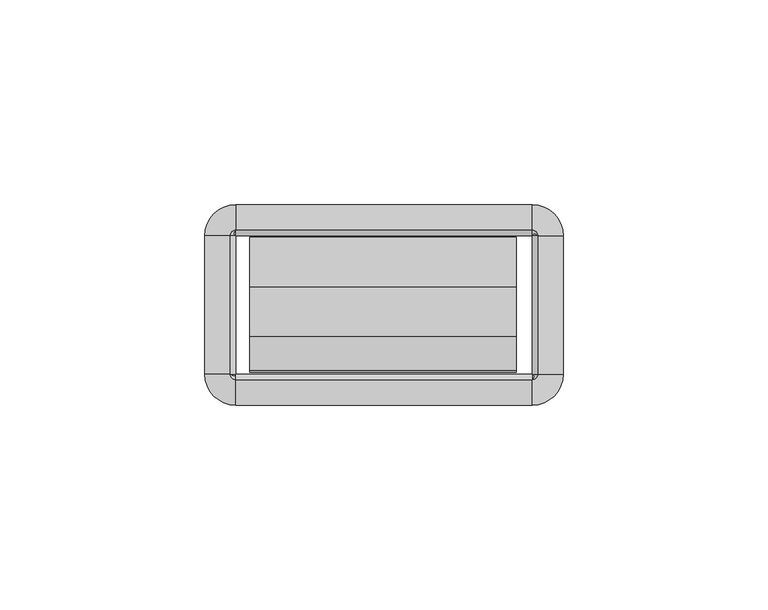
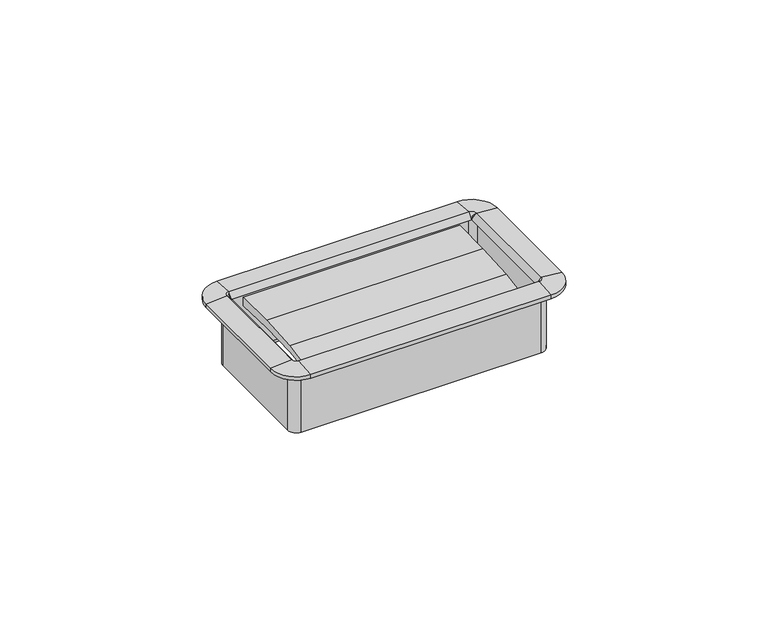
"""IFC4 building model written with IfcOpenShell, lengths in millimetres: furniture geometry."""

from ifc_helpers import new_model, si_unit, frame, origin, place, context, project, spatial, polyline, circle_curve, outline, extrude, source, transform, mapped, element, save
from ifc_brep_helpers import plane_surface, cylinder_surface, revolved_surface, advanced_brep


def furniture_a08e4dbc(model_context):
    return source(origin(), model_context, "Body", "SolidModel", [
        extrude(outline(polyline([(-27.4015977, 1063.8713463), (-35.841251, 1062.8077762), (-35.4230807, 1064.1857243), (-27.1272776, 1065.7247401), (-15.0207956, 1066.5183076), (-2.8884162, 1066.5634028), (-2.9633248, 1063.8052515), (-15.1814712, 1064.2042355), (-27.4015977, 1063.8713463)])), frame((-32.8496732, 0.0, 0.0), z_axis=(1.0, 0.0, 0.0), x_axis=(0.0, 1.0, 0.0)), (0.0, 0.0, 1.0), 65.1763996),
        advanced_brep(
        [(37.8602578, -2.54, 1066.8), (36.1704551, -0.8501974, 1066.8), (36.1704551, -0.8501974, 1047.9532), (37.8602578, -2.54, 1047.9532), (37.5244377, -2.54, 1068.4652454), (36.1704551, -1.1860174, 1068.4652454), (36.1704551, -2.5172282, 1066.8), (43.7913825, -2.54, 1067.943), (36.1704551, 5.0809274, 1067.943), (43.7913825, -2.54, 1066.8), (36.1704551, 5.0809274, 1066.8), (38.7104551, -2.54, 1046.4799989), (36.1704551, 0.0, 1046.4799989), (36.1704551, 0.0, 1066.8), (38.7104551, -2.54, 1066.8), (37.8602578, -36.2712, 1047.9532), (37.8602578, -36.2712, 1066.8), (36.1932269, -36.2712, 1066.8), (37.5244377, -36.2712, 1068.4652454), (43.7913825, -36.2712, 1067.943), (43.7913825, -36.2712, 1066.8), (38.7104551, -36.2712, 1066.8), (38.7104551, -36.2712, 1046.4799989), (36.1704551, -37.9610026, 1066.8), (36.1704551, -37.9610026, 1047.9532), (36.1704551, -37.6251826, 1068.4652454), (36.1704551, -43.8921274, 1067.943), (36.1704551, -43.8921274, 1066.8), (36.1704551, -38.8112, 1046.4799989), (36.1704551, -38.8112, 1066.8), (-36.1687428, -37.9610026, 1047.9532), (-36.1687428, -37.9610026, 1066.8), (-36.1687428, -36.2939718, 1066.8), (-36.1687428, -37.6251826, 1068.4652454), (-36.1687428, -43.8921274, 1067.943), (-36.1687428, -43.8921274, 1066.8), (-36.1687428, -38.8112, 1066.8), (-36.1687428, -38.8112, 1046.4799989), (-37.8585455, -36.2712, 1066.8), (-37.8585455, -36.2712, 1047.9532), (-37.5227254, -36.2712, 1068.4652454), (-43.7896702, -36.2712, 1067.943), (-43.7896702, -36.2712, 1066.8), (-38.7087428, -36.2712, 1046.4799989), (-38.7087428, -36.2712, 1066.8), (-37.8585455, -2.54, 1047.9532), (-37.8585455, -2.54, 1066.8), (-36.1915146, -2.54, 1066.8), (-37.5227254, -2.54, 1068.4652454), (-43.7896702, -2.54, 1067.943), (-43.7896702, -2.54, 1066.8), (-38.7087428, -2.54, 1066.8), (-38.7087428, -2.54, 1046.4799989), (-36.1687428, -0.8501974, 1066.8), (-36.1687428, -0.8501974, 1047.9532), (-36.1687428, -1.1860174, 1068.4652454), (-36.1687428, 5.0809274, 1067.943), (-36.1687428, 5.0809274, 1066.8), (-36.1687428, 0.0, 1046.4799989), (-36.1687428, 0.0, 1066.8), (38.6519521, -2.54, 1047.9532), (36.1704551, -0.058503, 1047.9532), (38.6519521, -36.2712, 1047.9532), (36.1704551, -38.752697, 1047.9532), (-36.1687428, -38.752697, 1047.9532), (-38.6502398, -36.2712, 1047.9532), (-38.6502398, -2.54, 1047.9532), (-36.1687428, -0.058503, 1047.9532)],
        [
            (0, 1, circle_curve(frame((36.1704551, -2.54, 1066.8), z_axis=(0.0, 0.0, 1.0), x_axis=(0.0, 1.0, 0.0)), 1.6898026)),
            (1, 2),
            (2, 3, circle_curve(frame((36.1704551, -2.54, 1047.9532), z_axis=(0.0, 0.0, -1.0), x_axis=(0.0, 1.0, 0.0)), 1.6898026)),
            (3, 0),
            (4, 5, circle_curve(frame((36.1704551, -2.54, 1068.4652454), z_axis=(0.0, 0.0, 1.0), x_axis=(0.0, 1.0, 0.0)), 1.3539826)),
            (5, 6),
            (6, 4),
            (7, 8, circle_curve(frame((36.1704551, -2.54, 1067.943), z_axis=(0.0, 0.0, 1.0), x_axis=(0.0, 1.0, 0.0)), 7.6209274)),
            (8, 5),
            (4, 7),
            (9, 10, circle_curve(frame((36.1704551, -2.54, 1066.8), z_axis=(0.0, 0.0, 1.0), x_axis=(0.0, 1.0, 0.0)), 7.6209274)),
            (10, 8),
            (7, 9),
            (11, 12, circle_curve(frame((36.1704551, -2.54, 1046.4799989), z_axis=(0.0, 0.0, 1.0), x_axis=(0.0, 1.0, 0.0)), 2.54)),
            (12, 13),
            (13, 14, circle_curve(frame((36.1704551, -2.54, 1066.8), z_axis=(0.0, 0.0, -1.0), x_axis=(0.0, 1.0, 0.0)), 2.54)),
            (14, 11),
            (3, 15),
            (15, 16),
            (16, 0),
            (6, 17),
            (17, 18),
            (18, 4),
            (18, 19),
            (19, 7),
            (19, 20),
            (20, 9),
            (14, 21),
            (21, 22),
            (22, 11),
            (23, 16, circle_curve(frame((36.1704551, -36.2712, 1066.8), z_axis=(0.0, 0.0, 1.0), x_axis=(1.0, 0.0, 0.0)), 1.6898026)),
            (15, 24, circle_curve(frame((36.1704551, -36.2712, 1047.9532), z_axis=(0.0, 0.0, -1.0), x_axis=(1.0, 0.0, 0.0)), 1.6898026)),
            (24, 23),
            (25, 18, circle_curve(frame((36.1704551, -36.2712, 1068.4652454), z_axis=(0.0, 0.0, 1.0), x_axis=(1.0, 0.0, 0.0)), 1.3539826)),
            (17, 25),
            (26, 19, circle_curve(frame((36.1704551, -36.2712, 1067.943), z_axis=(0.0, 0.0, 1.0), x_axis=(1.0, 0.0, 0.0)), 7.6209274)),
            (25, 26),
            (27, 20, circle_curve(frame((36.1704551, -36.2712, 1066.8), z_axis=(0.0, 0.0, 1.0), x_axis=(1.0, 0.0, 0.0)), 7.6209274)),
            (26, 27),
            (28, 22, circle_curve(frame((36.1704551, -36.2712, 1046.4799989), z_axis=(0.0, 0.0, 1.0), x_axis=(1.0, 0.0, 0.0)), 2.54)),
            (21, 29, circle_curve(frame((36.1704551, -36.2712, 1066.8), z_axis=(0.0, 0.0, -1.0), x_axis=(1.0, 0.0, 0.0)), 2.54)),
            (29, 28),
            (24, 30),
            (30, 31),
            (31, 23),
            (17, 32),
            (32, 33),
            (33, 25),
            (33, 34),
            (34, 26),
            (34, 35),
            (35, 27),
            (29, 36),
            (36, 37),
            (37, 28),
            (38, 31, circle_curve(frame((-36.1687428, -36.2712, 1066.8), z_axis=(0.0, 0.0, 1.0), x_axis=(0.0, -1.0, 0.0)), 1.6898026)),
            (30, 39, circle_curve(frame((-36.1687428, -36.2712, 1047.9532), z_axis=(0.0, 0.0, -1.0), x_axis=(0.0, -1.0, 0.0)), 1.6898026)),
            (39, 38),
            (40, 33, circle_curve(frame((-36.1687428, -36.2712, 1068.4652454), z_axis=(0.0, 0.0, 1.0), x_axis=(0.0, -1.0, 0.0)), 1.3539826)),
            (32, 40),
            (41, 34, circle_curve(frame((-36.1687428, -36.2712, 1067.943), z_axis=(0.0, 0.0, 1.0), x_axis=(0.0, -1.0, 0.0)), 7.6209274)),
            (40, 41),
            (42, 35, circle_curve(frame((-36.1687428, -36.2712, 1066.8), z_axis=(0.0, 0.0, 1.0), x_axis=(0.0, -1.0, 0.0)), 7.6209274)),
            (41, 42),
            (43, 37, circle_curve(frame((-36.1687428, -36.2712, 1046.4799989), z_axis=(0.0, 0.0, 1.0), x_axis=(0.0, -1.0, 0.0)), 2.54)),
            (36, 44, circle_curve(frame((-36.1687428, -36.2712, 1066.8), z_axis=(0.0, 0.0, -1.0), x_axis=(0.0, -1.0, 0.0)), 2.54)),
            (44, 43),
            (39, 45),
            (45, 46),
            (46, 38),
            (32, 47),
            (47, 48),
            (48, 40),
            (48, 49),
            (49, 41),
            (49, 50),
            (50, 42),
            (44, 51),
            (51, 52),
            (52, 43),
            (53, 46, circle_curve(frame((-36.1687428, -2.54, 1066.8), z_axis=(0.0, 0.0, 1.0), x_axis=(-1.0, 0.0, 0.0)), 1.6898026)),
            (45, 54, circle_curve(frame((-36.1687428, -2.54, 1047.9532), z_axis=(0.0, 0.0, -1.0), x_axis=(-1.0, 0.0, 0.0)), 1.6898026)),
            (54, 53),
            (55, 48, circle_curve(frame((-36.1687428, -2.54, 1068.4652454), z_axis=(0.0, 0.0, 1.0), x_axis=(-1.0, 0.0, 0.0)), 1.3539826)),
            (47, 55),
            (56, 49, circle_curve(frame((-36.1687428, -2.54, 1067.943), z_axis=(0.0, 0.0, 1.0), x_axis=(-1.0, 0.0, 0.0)), 7.6209274)),
            (55, 56),
            (57, 50, circle_curve(frame((-36.1687428, -2.54, 1066.8), z_axis=(0.0, 0.0, 1.0), x_axis=(-1.0, 0.0, 0.0)), 7.6209274)),
            (56, 57),
            (58, 52, circle_curve(frame((-36.1687428, -2.54, 1046.4799989), z_axis=(0.0, 0.0, 1.0), x_axis=(-1.0, 0.0, 0.0)), 2.54)),
            (51, 59, circle_curve(frame((-36.1687428, -2.54, 1066.8), z_axis=(0.0, 0.0, -1.0), x_axis=(-1.0, 0.0, 0.0)), 2.54)),
            (59, 58),
            (54, 2),
            (1, 53),
            (6, 47),
            (5, 55),
            (8, 56),
            (10, 57),
            (13, 59),
            (12, 58),
            (60, 61, circle_curve(frame((36.1704551, -2.54, 1047.9532), z_axis=(0.0, 0.0, 1.0), x_axis=(0.0, 1.0, 0.0)), 2.481497)),
            (61, 12),
            (11, 60),
            (22, 62),
            (62, 60),
            (63, 62, circle_curve(frame((36.1704551, -36.2712, 1047.9532), z_axis=(0.0, 0.0, 1.0), x_axis=(1.0, 0.0, 0.0)), 2.481497)),
            (28, 63),
            (37, 64),
            (64, 63),
            (65, 64, circle_curve(frame((-36.1687428, -36.2712, 1047.9532), z_axis=(0.0, 0.0, 1.0), x_axis=(0.0, -1.0, 0.0)), 2.481497)),
            (43, 65),
            (52, 66),
            (66, 65),
            (67, 66, circle_curve(frame((-36.1687428, -2.54, 1047.9532), z_axis=(0.0, 0.0, 1.0), x_axis=(-1.0, 0.0, 0.0)), 2.481497)),
            (58, 67),
            (61, 67),
        ],
        [
            revolved_surface(polyline([(36.1704551, -0.8501974000000001, 1047.9532), (36.1704551, -0.8501974000000001, 1066.8)]), (36.1704551, -2.54, 1066.8), (0.0, 0.0, -1.0)),
            revolved_surface(polyline([(36.1704551, -2.5172282, 1066.8), (36.1704551, -1.1860174, 1068.4652454)]), (36.1704551, -2.54, 1066.8), (0.0, 0.0, -1.0)),
            revolved_surface(polyline([(36.1704551, -1.1860174, 1068.4652454), (36.1704551, 5.0809274, 1067.943)]), (36.1704551, -2.54, 1066.8), (0.0, 0.0, -1.0)),
            cylinder_surface(frame((36.1704551, -2.54, 1066.8), z_axis=(0.0, 0.0, -1.0), x_axis=(0.0, 1.0, 0.0)), 7.6209274),
            cylinder_surface(frame((36.1704551, -2.54, 1066.8), z_axis=(0.0, 0.0, -1.0), x_axis=(0.0, 1.0, 0.0)), 2.54),
            plane_surface(frame((37.8602578, -2.54, 1047.9532), z_axis=(-1.0, 0.0, 0.0), x_axis=(0.0, -1.0, 0.0))),
            plane_surface(frame((36.1932269, -2.54, 1066.8), z_axis=(-0.7810942622858547, 0.0, 0.6244131272035499), x_axis=(0.0, -1.0, 0.0))),
            plane_surface(frame((37.5244377, -2.54, 1068.4652454), z_axis=(0.08304548081379862, 0.0, 0.9965457581648749), x_axis=(0.0, -1.0, 0.0))),
            plane_surface(frame((43.7913825, -2.54, 1067.943), z_axis=(1.0, 0.0, 0.0), x_axis=(0.0, -1.0, 0.0))),
            plane_surface(frame((38.7104551, -2.54, 1066.8), z_axis=(1.0, 0.0, 0.0), x_axis=(0.0, -1.0, 0.0))),
            revolved_surface(polyline([(37.8602577, -36.2712, 1047.9532), (37.8602577, -36.2712, 1066.8)]), (36.1704551, -36.2712, 1066.8), (0.0, 0.0, -1.0)),
            revolved_surface(polyline([(36.1932269, -36.2712, 1066.8), (37.5244377, -36.2712, 1068.4652454)]), (36.1704551, -36.2712, 1066.8), (0.0, 0.0, -1.0)),
            revolved_surface(polyline([(37.5244377, -36.2712, 1068.4652454), (43.7913825, -36.2712, 1067.943)]), (36.1704551, -36.2712, 1066.8), (0.0, 0.0, -1.0)),
            cylinder_surface(frame((36.1704551, -36.2712, 1066.8), z_axis=(0.0, 0.0, -1.0), x_axis=(1.0, 0.0, 0.0)), 7.6209274),
            cylinder_surface(frame((36.1704551, -36.2712, 1066.8), z_axis=(0.0, 0.0, -1.0), x_axis=(1.0, 0.0, 0.0)), 2.54),
            plane_surface(frame((36.1704551, -37.9610026, 1047.9532), z_axis=(0.0, 1.0, 0.0), x_axis=(-1.0, 0.0, 0.0))),
            plane_surface(frame((36.1704551, -36.2939718, 1066.8), z_axis=(0.0, 0.7810942622858565, 0.6244131272035475), x_axis=(-1.0, 0.0, 0.0))),
            plane_surface(frame((36.1704551, -37.6251826, 1068.4652454), z_axis=(0.0, -0.08304548081379555, 0.9965457581648751), x_axis=(-1.0, 0.0, 0.0))),
            plane_surface(frame((36.1704551, -43.8921274, 1067.943), z_axis=(0.0, -1.0, 0.0), x_axis=(-1.0, 0.0, 0.0))),
            plane_surface(frame((36.1704551, -38.8112, 1066.8), z_axis=(0.0, -1.0, 0.0), x_axis=(-1.0, 0.0, 0.0))),
            revolved_surface(polyline([(-36.1687428, -37.9610026, 1047.9532), (-36.1687428, -37.9610026, 1066.8)]), (-36.1687428, -36.2712, 1066.8), (0.0, 0.0, -1.0)),
            revolved_surface(polyline([(-36.1687428, -36.2939718, 1066.8), (-36.1687428, -37.6251826, 1068.4652454)]), (-36.1687428, -36.2712, 1066.8), (0.0, 0.0, -1.0)),
            revolved_surface(polyline([(-36.1687428, -37.6251826, 1068.4652454), (-36.1687428, -43.8921274, 1067.943)]), (-36.1687428, -36.2712, 1066.8), (0.0, 0.0, -1.0)),
            cylinder_surface(frame((-36.1687428, -36.2712, 1066.8), z_axis=(0.0, 0.0, -1.0), x_axis=(0.0, -1.0, 0.0)), 7.6209274),
            cylinder_surface(frame((-36.1687428, -36.2712, 1066.8), z_axis=(0.0, 0.0, -1.0), x_axis=(0.0, -1.0, 0.0)), 2.54),
            plane_surface(frame((-37.8585455, -36.2712, 1047.9532), z_axis=(1.0, 0.0, 0.0), x_axis=(0.0, 1.0, 0.0))),
            plane_surface(frame((-36.1915146, -36.2712, 1066.8), z_axis=(0.7810942622858585, 0.0, 0.6244131272035451), x_axis=(0.0, 1.0, 0.0))),
            plane_surface(frame((-37.5227254, -36.2712, 1068.4652454), z_axis=(-0.08304548081379248, 0.0, 0.9965457581648753), x_axis=(0.0, 1.0, 0.0))),
            plane_surface(frame((-43.7896702, -36.2712, 1067.943), z_axis=(-1.0, 0.0, 0.0), x_axis=(0.0, 1.0, 0.0))),
            plane_surface(frame((-38.7087428, -36.2712, 1066.8), z_axis=(-1.0, 0.0, 0.0), x_axis=(0.0, 1.0, 0.0))),
            revolved_surface(polyline([(-37.8585454, -2.54, 1047.9532), (-37.8585454, -2.54, 1066.8)]), (-36.1687428, -2.54, 1066.8), (0.0, 0.0, -1.0)),
            revolved_surface(polyline([(-36.1915146, -2.54, 1066.8), (-37.5227254, -2.54, 1068.4652454)]), (-36.1687428, -2.54, 1066.8), (0.0, 0.0, -1.0)),
            revolved_surface(polyline([(-37.5227254, -2.54, 1068.4652454), (-43.7896702, -2.54, 1067.943)]), (-36.1687428, -2.54, 1066.8), (0.0, 0.0, -1.0)),
            cylinder_surface(frame((-36.1687428, -2.54, 1066.8), z_axis=(0.0, 0.0, -1.0), x_axis=(-1.0, 0.0, 0.0)), 7.6209274),
            cylinder_surface(frame((-36.1687428, -2.54, 1066.8), z_axis=(0.0, 0.0, -1.0), x_axis=(-1.0, 0.0, 0.0)), 2.54),
            plane_surface(frame((-36.1687428, -0.8501974, 1047.9532), z_axis=(0.0, -1.0, 0.0), x_axis=(1.0, 0.0, 0.0))),
            plane_surface(frame((-36.1687428, -0.8501974, 1066.8), z_axis=(0.0, 0.0, -1.0), x_axis=(1.0, 0.0, 0.0))),
            plane_surface(frame((-36.1687428, -2.5172282, 1066.8), z_axis=(0.0, -0.7810942622858567, 0.6244131272035476), x_axis=(1.0, 0.0, 0.0))),
            plane_surface(frame((-36.1687428, -1.1860174, 1068.4652454), z_axis=(0.0, 0.08304548081379555, 0.9965457581648751), x_axis=(1.0, 0.0, 0.0))),
            plane_surface(frame((-36.1687428, 5.0809274, 1067.943), z_axis=(0.0, 1.0, 0.0), x_axis=(1.0, 0.0, 0.0))),
            plane_surface(frame((-36.1687428, 5.0809274, 1066.8), z_axis=(0.0, 0.0, -1.0), x_axis=(1.0, 0.0, 0.0))),
            plane_surface(frame((-36.1687428, 0.0, 1066.8), z_axis=(0.0, 1.0, 0.0), x_axis=(1.0, 0.0, 0.0))),
            revolved_surface(polyline([(36.1704551, 0.0, 1046.4799989), (36.1704551, -0.058503, 1047.9532)]), (36.1704551, -2.54, 1066.8), (0.0, 0.0, -1.0)),
            plane_surface(frame((38.7104551, -2.54, 1046.4799989), z_axis=(-0.9992124303949471, 0.0, -0.03968020847000604), x_axis=(0.0, -1.0, 0.0))),
            revolved_surface(polyline([(38.7104551, -36.2712, 1046.4799989), (38.6519521, -36.2712, 1047.9532)]), (36.1704551, -36.2712, 1066.8), (0.0, 0.0, -1.0)),
            plane_surface(frame((36.1704551, -38.8112, 1046.4799989), z_axis=(0.0, 0.999212430394947, -0.039680208470009116), x_axis=(-1.0, 0.0, 0.0))),
            revolved_surface(polyline([(-36.1687428, -38.8112, 1046.4799989), (-36.1687428, -38.752697, 1047.9532)]), (-36.1687428, -36.2712, 1066.8), (0.0, 0.0, -1.0)),
            plane_surface(frame((-38.7087428, -36.2712, 1046.4799989), z_axis=(0.9992124303949469, 0.0, -0.03968020847001219), x_axis=(0.0, 1.0, 0.0))),
            revolved_surface(polyline([(-38.7087428, -2.54, 1046.4799989), (-38.6502398, -2.54, 1047.9532)]), (-36.1687428, -2.54, 1066.8), (0.0, 0.0, -1.0)),
            plane_surface(frame((-36.1687428, 0.0, 1046.4799989), z_axis=(0.0, -0.999212430394947, -0.039680208470009116), x_axis=(1.0, 0.0, 0.0))),
            plane_surface(frame((-36.1687428, -0.058503, 1047.9532), z_axis=(0.0, 0.0, -1.0), x_axis=(1.0, 0.0, 0.0))),
        ],
        [
            (0, [[1, 2, 3, 4]]),
            (1, [[5, 6, 7]]),
            (2, [[8, 9, -5, 10]]),
            (3, [[11, 12, -8, 13]]),
            (4, [[14, 15, 16, 17]]),
            (5, [[-4, 18, 19, 20]]),
            (6, [[-7, 21, 22, 23]]),
            (7, [[-10, -23, 24, 25]]),
            (8, [[-13, -25, 26, 27]]),
            (9, [[-17, 28, 29, 30]]),
            (10, [[31, -19, 32, 33]]),
            (11, [[34, -22, 35]]),
            (12, [[36, -24, -34, 37]]),
            (13, [[38, -26, -36, 39]]),
            (14, [[40, -29, 41, 42]]),
            (15, [[-33, 43, 44, 45]]),
            (16, [[-35, 46, 47, 48]]),
            (17, [[-37, -48, 49, 50]]),
            (18, [[-39, -50, 51, 52]]),
            (19, [[-42, 53, 54, 55]]),
            (20, [[56, -44, 57, 58]]),
            (21, [[59, -47, 60]]),
            (22, [[61, -49, -59, 62]]),
            (23, [[63, -51, -61, 64]]),
            (24, [[65, -54, 66, 67]]),
            (25, [[-58, 68, 69, 70]]),
            (26, [[-60, 71, 72, 73]]),
            (27, [[-62, -73, 74, 75]]),
            (28, [[-64, -75, 76, 77]]),
            (29, [[-67, 78, 79, 80]]),
            (30, [[81, -69, 82, 83]]),
            (31, [[84, -72, 85]]),
            (32, [[86, -74, -84, 87]]),
            (33, [[88, -76, -86, 89]]),
            (34, [[90, -79, 91, 92]]),
            (35, [[-83, 93, -2, 94]]),
            (36, [[-70, -81, -94, -1, -20, -31, -45, -56], [95, -71, -46, -21]]),
            (37, [[-85, -95, -6, 96]]),
            (38, [[-87, -96, -9, 97]]),
            (39, [[-89, -97, -12, 98]]),
            (40, [[-77, -88, -98, -11, -27, -38, -52, -63], [99, -91, -78, -66, -53, -41, -28, -16]]),
            (41, [[-92, -99, -15, 100]]),
            (42, [[101, 102, -14, 103]]),
            (43, [[-103, -30, 104, 105]]),
            (44, [[106, -104, -40, 107]]),
            (45, [[-107, -55, 108, 109]]),
            (46, [[110, -108, -65, 111]]),
            (47, [[-111, -80, 112, 113]]),
            (48, [[114, -112, -90, 115]]),
            (49, [[-115, -100, -102, 116]]),
            (50, [[-113, -114, -116, -101, -105, -106, -109, -110], [-93, -82, -68, -57, -43, -32, -18, -3]]),
        ],
    ),
    ])


if __name__ == "__main__":
    model = new_model("IFC4")
    model_context = context("Model", 3, world=origin())
    ifc_project = project(units=[si_unit("LENGTHUNIT", "METRE", prefix="MILLI")], contexts=[model_context])
    site = spatial("IfcSite", under=ifc_project)
    building = spatial("IfcBuilding", under=site)
    placement = place(None, origin())
    furniture_shape = furniture_a08e4dbc(model_context)
    element("IfcFurniture", 1, at=placement, inside=building, context=model_context, shape_type="MappedRepresentation", body=[
        mapped(furniture_shape, transform((0.0, 0.0, 0.0), x_axis=(1.0, 0.0, 0.0), y_axis=(0.0, 1.0, 0.0), z_axis=(0.0, 0.0, 1.0))),
    ])
    save(model, "model.ifc")
